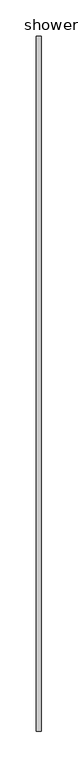
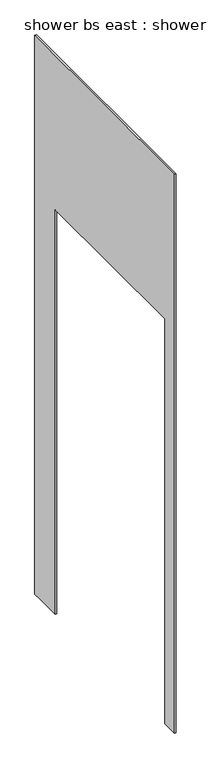
"""IFC4 building model written with IfcOpenShell, lengths in millimetres: proxy geometry, shower bs east : shower bs east."""

from ifc_helpers import new_model, si_unit, frame, origin, place, context, project, spatial, polyline, outline, extrude, source, transform, mapped, element, save


def shower_bs_east_shower_bs_east_56ab0dff(model_context):
    return source(origin(), model_context, "Body", "SweptSolid", [
        extrude(outline(polyline([(7894.8751285, 3164.9719051), (7859.9501285, 3164.9719051), (7755.5251285, 3164.9719051), (7755.5251285, 4848.0), (7005.5251285, 4848.0), (7005.5251285, 3164.8399976), (6942.0251285, 3164.8399976), (6942.0251285, 5487.4500873), (7894.8751285, 5487.4500873), (7894.8751285, 3164.9719051)])), frame((-7058.486525, 0.0, 0.0), z_axis=(1.0, 0.0, 0.0), x_axis=(0.0, 1.0, 0.0)), (0.0, 0.0, 1.0), 6.35),
    ])


if __name__ == "__main__":
    model = new_model("IFC4")
    model_context = context("Model", 3, world=origin())
    ifc_project = project(units=[si_unit("LENGTHUNIT", "METRE", prefix="MILLI")], contexts=[model_context])
    site = spatial("IfcSite", under=ifc_project)
    building = spatial("IfcBuilding", under=site)
    placement = place(None, origin())
    shower_bs_east_shower_bs_east_shape = shower_bs_east_shower_bs_east_56ab0dff(model_context)
    element("IfcBuildingElementProxy", 1, Name="shower bs east : shower bs east", ObjectType="shower bs east : shower bs east", at=placement, inside=building, context=model_context, shape_type="MappedRepresentation", body=[
        mapped(shower_bs_east_shower_bs_east_shape, transform((0.0, 0.0, 0.0), x_axis=(1.0, 0.0, 0.0), y_axis=(0.0, 1.0, 0.0), z_axis=(0.0, 0.0, 1.0))),
    ])
    save(model, "model.ifc")
